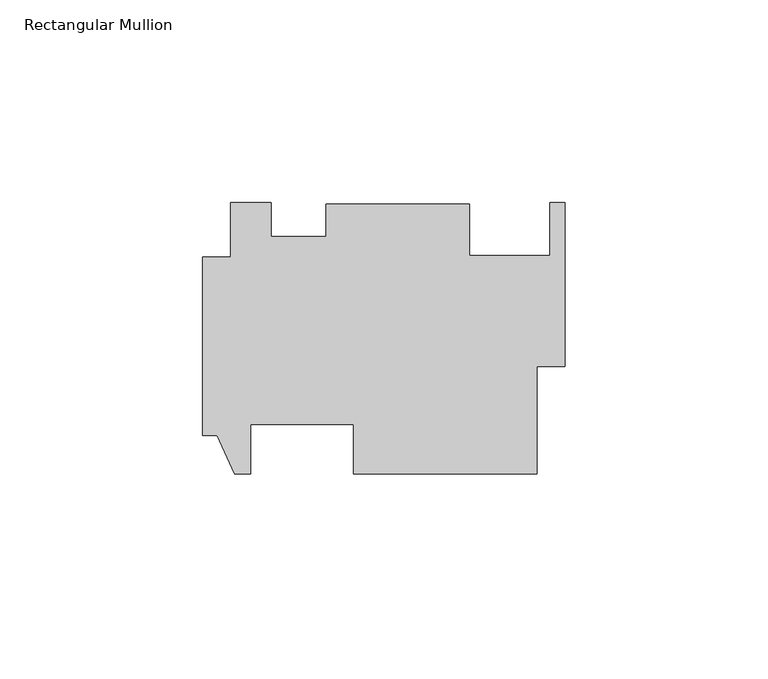
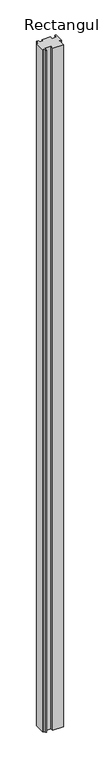
"""IFC4 building model written with IfcOpenShell, lengths in millimetres: member geometry, Rectangular Mullion."""

from ifc_helpers import new_model, si_unit, frame, origin, place, context, project, spatial, polyline, outline, extrude, source, transform, mapped, element, save


def rectangular_mullion_f30b3213(model_context):
    return source(origin(), model_context, "Body", "SweptSolid", [
        extrude(outline(polyline([(-6.9088, -7.5282678), (-6.9088, -34.0204678), (-52.2224, -34.0204678), (-52.2224, -21.8030678), (-77.6224, -21.8030678), (-77.6224, -34.0204678), (-81.534, -34.0204678), (-85.852, -24.4954678), (-89.4588, -24.4954678), (-89.4588, 19.4719322), (-82.55, 19.4719322), (-82.55, 32.9593322), (-72.53478, 32.9593322), (-72.53478, 24.5206321), (-58.9788, 24.5206321), (-58.9788, 32.6136307), (-23.5712, 32.6136307), (-23.5712, 19.9091892), (-3.7338, 19.9091892), (-3.7338, 32.9593322), (0.0, 32.9593322), (0.0, -7.5282678), (-6.9088, -7.5282678)])), frame((0.0, 0.0, -3048.0), z_axis=(0.0, 0.0, 1.0), x_axis=(1.0, 0.0, 0.0)), (0.0, 0.0, 1.0), 3048.0),
    ])


if __name__ == "__main__":
    model = new_model("IFC4")
    model_context = context("Model", 3, world=origin())
    ifc_project = project(units=[si_unit("LENGTHUNIT", "METRE", prefix="MILLI")], contexts=[model_context])
    site = spatial("IfcSite", under=ifc_project)
    building = spatial("IfcBuilding", under=site)
    placement = place(None, origin())
    rectangular_mullion_shape = rectangular_mullion_f30b3213(model_context)
    element("IfcMember", 1, ObjectType="Rectangular Mullion", at=placement, inside=building, context=model_context, shape_type="MappedRepresentation", body=[
        mapped(rectangular_mullion_shape, transform((0.0, 0.0, 0.0), x_axis=(1.0, 0.0, 0.0), y_axis=(0.0, 1.0, 0.0), z_axis=(0.0, 0.0, 1.0))),
    ])
    save(model, "model.ifc")
